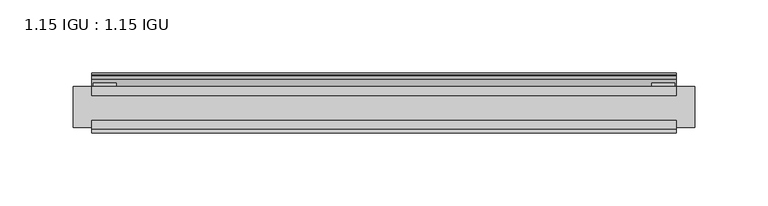
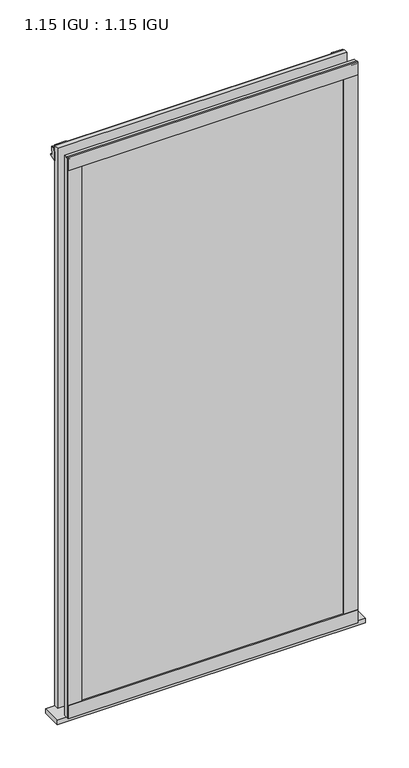
"""IFC4 building model written with IfcOpenShell, lengths in millimetres: plate geometry, 1.15 IGU : 1.15 IGU."""

import ifcopenshell
import ifcopenshell.guid

model = None  # the IFC model being written
_history = None  # IfcOwnerHistory: only IFC2X3 demands one
_inside = {}  # id of a spatial element -> (the spatial element, [elements in it])
_under = {}  # id of a project, library or spatial element -> (it, [spatial elements below it])
_declared = {}  # id of a project -> (the project, [libraries it declares])
_typed = {}  # id of a type object -> (the type object, [elements of that type])
_made_of = {}  # id of a material, layer set ... -> (it, [elements and type objects made of it])


def new_model(schema):
    """Start an empty IFC model of exactly this schema.

    Asked for "IFC4X3", IfcOpenShell would pick the latest addendum, in which some entities
    have other attributes; the version numbers below select the first issue.
    IFC2X3 requires an IfcOwnerHistory on every rooted entity: one is made here for all.
    """
    global model, _history
    if schema == "IFC4X3":
        model = ifcopenshell.file(schema_version=(4, 3, 0, 0))
    else:
        model = ifcopenshell.file(schema=schema)
    _inside.clear()
    _under.clear()
    _declared.clear()
    _typed.clear()
    _made_of.clear()
    _history = None
    if model.schema == "IFC2X3":
        org = make("IfcOrganization", Name="unknown")
        user = make(
            "IfcPersonAndOrganization",
            ThePerson=make("IfcPerson", FamilyName="unknown"),
            TheOrganization=org,
        )
        app = make(
            "IfcApplication",
            ApplicationDeveloper=org,
            Version="unknown",
            ApplicationFullName="unknown",
            ApplicationIdentifier="unknown",
        )
        _history = make(
            "IfcOwnerHistory",
            OwningUser=user,
            OwningApplication=app,
            ChangeAction="ADDED",
            CreationDate=0,
        )
    return model


def make(cls, **values):
    """One entity of the class cls with the attributes given. An attribute that is None is left unset."""
    return model.create_entity(
        cls, **{name: value for name, value in values.items() if value is not None}
    )


def rooted(cls, **values):
    """An entity with a GlobalId (a new one), such as an element, a storey or a relation."""
    return make(cls, GlobalId=ifcopenshell.guid.new(), OwnerHistory=_history, **values)


def si_unit(unit_type, name, prefix=None):
    """IfcSIUnit, for example si_unit("LENGTHUNIT", "METRE", prefix="MILLI")."""
    return make("IfcSIUnit", UnitType=unit_type, Prefix=prefix, Name=name)


def assignment(units):
    """IfcUnitAssignment: the units of a project."""
    return None if units is None else make("IfcUnitAssignment", Units=units)


def point(xyz):
    """IfcCartesianPoint."""
    return None if xyz is None else make("IfcCartesianPoint", Coordinates=xyz)


def direction(xyz):
    """IfcDirection."""
    return None if xyz is None else make("IfcDirection", DirectionRatios=xyz)


def frame(location, z_axis=None, x_axis=None):
    """IfcAxis2Placement3D, a coordinate frame: its origin and axes. An axis left out is left unset."""
    return make(
        "IfcAxis2Placement3D",
        Location=point(location),
        Axis=direction(z_axis),
        RefDirection=direction(x_axis),
    )


def frame_2d(location, x_axis=None):
    """IfcAxis2Placement2D, a coordinate frame in the plane: its origin and x axis."""
    return make(
        "IfcAxis2Placement2D", Location=point(location), RefDirection=direction(x_axis)
    )


def origin():
    """The frame at (0, 0, 0) with its axes left unset."""
    return frame((0.0, 0.0, 0.0))


def place(relative_to, where):
    """IfcLocalPlacement: puts the frame where relative to a parent placement (None: the world)."""
    return make(
        "IfcLocalPlacement", PlacementRelTo=relative_to, RelativePlacement=where
    )


def context(
    kind, dimensions, precision=None, world=None, true_north=None, identifier=None
):
    """IfcGeometricRepresentationContext, for example the 3D "Model" context."""
    return make(
        "IfcGeometricRepresentationContext",
        ContextIdentifier=identifier,
        ContextType=kind,
        CoordinateSpaceDimension=dimensions,
        Precision=precision,
        WorldCoordinateSystem=world,
        TrueNorth=true_north,
    )


def project(units=None, contexts=None):
    """IfcProject with its units and contexts."""
    return rooted(
        "IfcProject",
        Name="project",
        RepresentationContexts=contexts,
        UnitsInContext=assignment(units),
    )


def spatial(cls, under=None, at=None, **own):
    """A site, building, storey or space (cls), placed at a placement, below another one or the project."""
    s = rooted(cls, ObjectPlacement=at, **own)
    if under is not None:
        _under.setdefault(under.id(), (under, []))[1].append(s)
    return s


def polyline(points):
    """IfcPolyline through the points."""
    return make("IfcPolyline", Points=[point(p) for p in points])


def circle_curve(where, radius):
    """IfcCircle in the frame where."""
    return make("IfcCircle", Position=where, Radius=radius)


def trimmed(basis, trim1, trim2, sense, master):
    """IfcTrimmedCurve: the piece of a basis curve between two trims."""
    return make(
        "IfcTrimmedCurve",
        BasisCurve=basis,
        Trim1=trim1,
        Trim2=trim2,
        SenseAgreement=sense,
        MasterRepresentation=master,
    )


def segment(curve, same_sense, transition):
    """IfcCompositeCurveSegment."""
    return make(
        "IfcCompositeCurveSegment",
        Transition=transition,
        SameSense=same_sense,
        ParentCurve=curve,
    )


def composite_curve(segments, self_intersect=None):
    """IfcCompositeCurve: segments joined end to end."""
    return make("IfcCompositeCurve", Segments=segments, SelfIntersect=self_intersect)


def outline(outer, holes=None, kind="AREA"):
    """IfcArbitraryClosedProfileDef: a profile drawn as a closed curve; with holes, ...WithVoids."""
    if holes is None:
        return make("IfcArbitraryClosedProfileDef", ProfileType=kind, OuterCurve=outer)
    return make(
        "IfcArbitraryProfileDefWithVoids",
        ProfileType=kind,
        OuterCurve=outer,
        InnerCurves=holes,
    )


def extrude(swept, where, along, depth):
    """IfcExtrudedAreaSolid: the profile swept, set in the frame where, extruded along a direction by depth."""
    return make(
        "IfcExtrudedAreaSolid",
        SweptArea=swept,
        Position=where,
        ExtrudedDirection=direction(along),
        Depth=depth,
    )


def shape(context_of_items, identifier, shape_type, items):
    """IfcShapeRepresentation: the items that make up one representation, for example the "Body"."""
    return make(
        "IfcShapeRepresentation",
        ContextOfItems=context_of_items,
        RepresentationIdentifier=identifier,
        RepresentationType=shape_type,
        Items=items,
    )


def source(mapping_origin, context_of_items, identifier, shape_type, items):
    """IfcRepresentationMap: a shape defined once, which mapped items show again and again."""
    return make(
        "IfcRepresentationMap",
        MappingOrigin=mapping_origin,
        MappedRepresentation=shape(context_of_items, identifier, shape_type, items),
    )


def transform(
    local_origin,
    x_axis=None,
    y_axis=None,
    z_axis=None,
    scale=None,
    scale2=None,
    scale3=None,
    uniform=True,
):
    """IfcCartesianTransformationOperator3D, or its non-uniform kind. x_axis, y_axis, z_axis: its Axis1, 2, 3."""
    if uniform:
        return make(
            "IfcCartesianTransformationOperator3D",
            Axis1=direction(x_axis),
            Axis2=direction(y_axis),
            LocalOrigin=point(local_origin),
            Scale=scale,
            Axis3=direction(z_axis),
        )
    return make(
        "IfcCartesianTransformationOperator3DnonUniform",
        Axis1=direction(x_axis),
        Axis2=direction(y_axis),
        LocalOrigin=point(local_origin),
        Scale=scale,
        Axis3=direction(z_axis),
        Scale2=scale2,
        Scale3=scale3,
    )


def mapped(mapping_source, mapping_target):
    """IfcMappedItem: shows the shape of a source again, moved by a transform."""
    return make(
        "IfcMappedItem", MappingSource=mapping_source, MappingTarget=mapping_target
    )


def made_of(thing, what):
    """Note that an element or type object is made of a material, layer set ...; save() writes the relation."""
    if what is not None:
        _made_of.setdefault(what.id(), (what, []))[1].append(thing)
    return thing


def element(
    cls,
    number,
    at=None,
    inside=None,
    cuts=None,
    type_object=None,
    material=None,
    context=None,
    identifier="Body",
    shape_type=None,
    held_by="IfcProductDefinitionShape",
    body=None,
    shapes=None,
    **own,
):
    """One element of the class cls, such as IfcWall. Its Tag is "e" and its number.

    at: its placement. inside: the storey or other place that contains it. cuts: it is an
    opening in that element (IfcRelVoidsElement). A single representation is given by context,
    identifier, shape_type and body (its items); several are given by shapes. held_by: the class
    of the entity that holds the representations. save() writes the other relations.
    """
    e = rooted(cls, Tag="e%d" % number, ObjectPlacement=at, **own)
    if body is not None:
        shapes = [shape(context, identifier, shape_type, body)]
    if shapes is not None:
        e.Representation = make(held_by, Representations=shapes)
    if inside is not None:
        _inside.setdefault(inside.id(), (inside, []))[1].append(e)
    if cuts is not None:
        rooted(
            "IfcRelVoidsElement", RelatingBuildingElement=cuts, RelatedOpeningElement=e
        )
    if type_object is not None:
        _typed.setdefault(type_object.id(), (type_object, []))[1].append(e)
    return made_of(e, material)


def aggregate(whole, parts):
    """IfcRelAggregates: a whole, such as a stair, and the parts it consists of."""
    return rooted("IfcRelAggregates", RelatingObject=whole, RelatedObjects=parts)


def save(model, path):
    """Write the relations noted so far, then the file.

    IfcRelAggregates (storeys below a building ...), IfcRelContainedInSpatialStructure (elements
    in a storey), IfcRelDefinesByType, IfcRelAssociatesMaterial and IfcRelDeclares: one each for
    every whole, place, type object, material and project.
    """
    for whole, parts in _under.values():
        aggregate(whole, parts)
    for where, things in _inside.values():
        rooted(
            "IfcRelContainedInSpatialStructure",
            RelatedElements=things,
            RelatingStructure=where,
        )
    for kind, things in _typed.values():
        rooted("IfcRelDefinesByType", RelatedObjects=things, RelatingType=kind)
    for what, things in _made_of.values():
        rooted("IfcRelAssociatesMaterial", RelatedObjects=things, RelatingMaterial=what)
    for by, libraries in _declared.values():
        rooted("IfcRelDeclares", RelatingContext=by, RelatedDefinitions=libraries)
    model.write(path)


def plate_1_15_igu_1_15_igu_55bbe432(model_context):
    return source(origin(), model_context, "Body", "SweptSolid", [
        extrude(outline(polyline([(200.2742375, 0.0), (200.2742375, -6.2992), (-200.2742375, -6.2992), (-200.2742375, 0.0), (200.2742375, 0.0)])), frame((0.0, 0.0, -19.05), z_axis=(0.0, 0.0, 1.0), x_axis=(1.0, 0.0, 0.0)), (0.0, 0.0, 1.0), 817.5498001),
        extrude(outline(polyline([(-200.2742375, -23.1648), (200.2742375, -23.1648), (200.2742375, -29.464), (-200.2742375, -29.464), (-200.2742375, -23.1648)])), frame((0.0, 0.0, -19.05), z_axis=(0.0, 0.0, 1.0), x_axis=(1.0, 0.0, 0.0)), (0.0, 0.0, 1.0), 817.5498001),
        extrude(outline(composite_curve([segment(trimmed(circle_curve(frame_2d((10.9021792, -22.6833935)), 11.4916952), [point((0.0, -19.05))], [point((-0.2638007, -25.4))], True, "CARTESIAN"), True, "CONTINUOUS"), segment(polyline([(-0.2638007, -25.4), (-27.9952564, -25.4), (-27.9952564, -19.05), (0.0, -19.05)]), True, "CONTINUOUS")], self_intersect=False)), frame((-212.9742375, 0.0, 0.0), z_axis=(1.0, 0.0, 0.0), x_axis=(0.0, 1.0, 0.0)), (0.0, 0.0, 1.0), 425.948475),
        extrude(outline(polyline([(-200.2742375, -31.75), (-200.2742375, -29.464), (200.2742375, -29.464), (200.2742375, -31.75), (-200.2742375, -31.75)])), frame((0.0, 0.0, -19.05), z_axis=(0.0, 0.0, 1.0), x_axis=(1.0, 0.0, 0.0)), (0.0, 0.0, 1.0), 19.05),
        extrude(outline(composite_curve([segment(trimmed(circle_curve(frame_2d((-23.3689302, 822.6664901)), 40.3187601), [point((0.0, 789.8108131))], [point((4.9746073, 793.9916528))], True, "CARTESIAN"), True, "CONTINUOUS"), segment(trimmed(circle_curve(frame_2d((5.8674, 793.0884246)), 1.27), [point((4.9746073, 793.9916528))], [point((7.1374, 793.0884246))], False, "CARTESIAN"), True, "CONTINUOUS"), segment(polyline([(7.1374, 793.0884246), (7.1374, 788.6876169), (7.7309478, 786.4724663), (6.35, 786.2379789), (6.35, 781.0500001), (9.3980339, 781.0500001), (9.3980339, 779.6684051)]), True, "CONTINUOUS"), segment(trimmed(circle_curve(frame_2d((13.6593785, 748.6551528)), 31.3046461), [point((9.3980339, 779.6684051))], [point((0.0, 776.8225498))], True, "CARTESIAN"), True, "CONTINUOUS"), segment(polyline([(0.0, 776.8225498), (0.0, 789.8108131)]), True, "CONTINUOUS")], self_intersect=False)), frame((-200.2742375, 0.0, 0.0), z_axis=(1.0, 0.0, 0.0), x_axis=(0.0, 1.0, 0.0)), (0.0, 0.0, 1.0), 400.548475),
        extrude(outline(polyline([(-200.2742375, -31.75), (-200.2742375, -29.464), (200.2742375, -29.464), (200.2742375, -31.75), (-200.2742375, -31.75)])), frame((0.0, 0.0, 781.0500001), z_axis=(0.0, 0.0, 1.0), x_axis=(1.0, 0.0, 0.0)), (0.0, 0.0, 1.0), 19.05),
        extrude(outline(polyline([(181.2242375, -29.464), (200.2742375, -29.464), (200.2742375, -31.75), (181.2242375, -31.75), (181.2242375, -29.464)])), frame((0.0, 0.0, -19.05), z_axis=(0.0, 0.0, 1.0), x_axis=(1.0, 0.0, 0.0)), (0.0, 0.0, 1.0), 817.5498001),
        extrude(outline(polyline([(199.0677375, 2.2860088), (199.0677375, 0.0021347), (183.1927375, 0.0021347), (183.1927375, 2.2860088), (199.0677375, 2.2860088)])), frame((0.0, 0.0, -19.05), z_axis=(0.0, 0.0, 1.0), x_axis=(1.0, 0.0, 0.0)), (0.0, 0.0, 1.0), 817.5498001),
        extrude(outline(polyline([(-200.2742375, -31.75), (-200.2742375, -29.464), (-181.2242375, -29.464), (-181.2242375, -31.75), (-200.2742375, -31.75)])), frame((0.0, 0.0, -19.05), z_axis=(0.0, 0.0, 1.0), x_axis=(1.0, 0.0, 0.0)), (0.0, 0.0, 1.0), 817.5498001),
        extrude(outline(polyline([(-199.0677375, 0.0), (-199.0677375, 2.286), (-183.1927375, 2.286), (-183.1927375, 0.0), (-199.0677375, 0.0)])), frame((0.0, 0.0, -19.05), z_axis=(0.0, 0.0, 1.0), x_axis=(1.0, 0.0, 0.0)), (0.0, 0.0, 1.0), 817.5498001),
    ])


if __name__ == "__main__":
    model = new_model("IFC4")
    model_context = context("Model", 3, world=origin())
    ifc_project = project(units=[si_unit("LENGTHUNIT", "METRE", prefix="MILLI")], contexts=[model_context])
    site = spatial("IfcSite", under=ifc_project)
    building = spatial("IfcBuilding", under=site)
    placement = place(None, origin())
    plate_1_15_igu_1_15_igu_shape = plate_1_15_igu_1_15_igu_55bbe432(model_context)
    element("IfcPlate", 1, ObjectType="1.15 IGU : 1.15 IGU", at=placement, inside=building, context=model_context, shape_type="MappedRepresentation", body=[
        mapped(plate_1_15_igu_1_15_igu_shape, transform((0.0, 0.0, 0.0), x_axis=(1.0, 0.0, 0.0), y_axis=(0.0, 1.0, 0.0), z_axis=(0.0, 0.0, 1.0))),
    ])
    save(model, "model.ifc")
